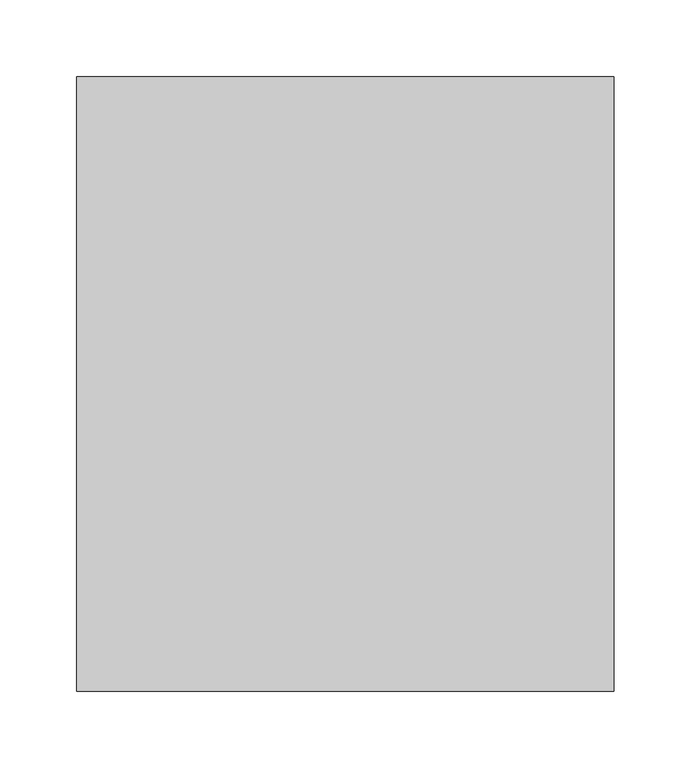
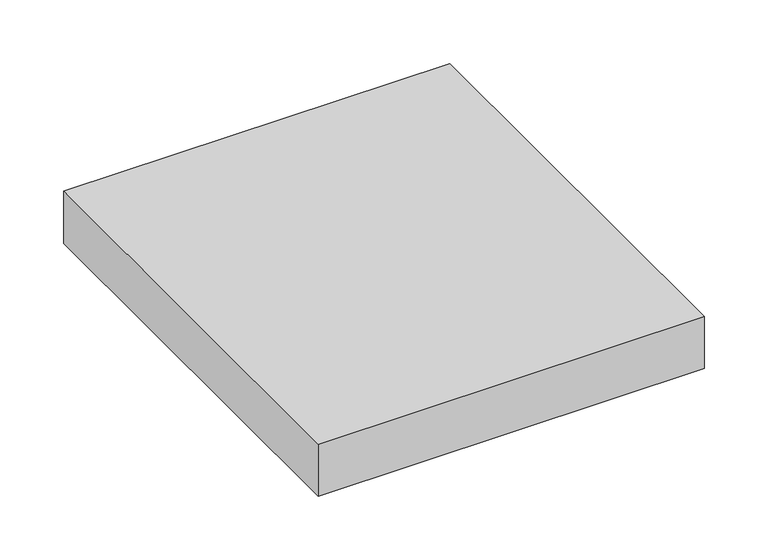
"""IFC4 building model written with IfcOpenShell, lengths in millimetres: proxy geometry."""

import ifcopenshell
import ifcopenshell.guid

model = None  # the IFC model being written
_history = None  # IfcOwnerHistory: only IFC2X3 demands one
_inside = {}  # id of a spatial element -> (the spatial element, [elements in it])
_under = {}  # id of a project, library or spatial element -> (it, [spatial elements below it])
_declared = {}  # id of a project -> (the project, [libraries it declares])
_typed = {}  # id of a type object -> (the type object, [elements of that type])
_made_of = {}  # id of a material, layer set ... -> (it, [elements and type objects made of it])


def new_model(schema):
    """Start an empty IFC model of exactly this schema.

    Asked for "IFC4X3", IfcOpenShell would pick the latest addendum, in which some entities
    have other attributes; the version numbers below select the first issue.
    IFC2X3 requires an IfcOwnerHistory on every rooted entity: one is made here for all.
    """
    global model, _history
    if schema == "IFC4X3":
        model = ifcopenshell.file(schema_version=(4, 3, 0, 0))
    else:
        model = ifcopenshell.file(schema=schema)
    _inside.clear()
    _under.clear()
    _declared.clear()
    _typed.clear()
    _made_of.clear()
    _history = None
    if model.schema == "IFC2X3":
        org = make("IfcOrganization", Name="unknown")
        user = make(
            "IfcPersonAndOrganization",
            ThePerson=make("IfcPerson", FamilyName="unknown"),
            TheOrganization=org,
        )
        app = make(
            "IfcApplication",
            ApplicationDeveloper=org,
            Version="unknown",
            ApplicationFullName="unknown",
            ApplicationIdentifier="unknown",
        )
        _history = make(
            "IfcOwnerHistory",
            OwningUser=user,
            OwningApplication=app,
            ChangeAction="ADDED",
            CreationDate=0,
        )
    return model


def make(cls, **values):
    """One entity of the class cls with the attributes given. An attribute that is None is left unset."""
    return model.create_entity(
        cls, **{name: value for name, value in values.items() if value is not None}
    )


def rooted(cls, **values):
    """An entity with a GlobalId (a new one), such as an element, a storey or a relation."""
    return make(cls, GlobalId=ifcopenshell.guid.new(), OwnerHistory=_history, **values)


def si_unit(unit_type, name, prefix=None):
    """IfcSIUnit, for example si_unit("LENGTHUNIT", "METRE", prefix="MILLI")."""
    return make("IfcSIUnit", UnitType=unit_type, Prefix=prefix, Name=name)


def assignment(units):
    """IfcUnitAssignment: the units of a project."""
    return None if units is None else make("IfcUnitAssignment", Units=units)


def point(xyz):
    """IfcCartesianPoint."""
    return None if xyz is None else make("IfcCartesianPoint", Coordinates=xyz)


def direction(xyz):
    """IfcDirection."""
    return None if xyz is None else make("IfcDirection", DirectionRatios=xyz)


def frame(location, z_axis=None, x_axis=None):
    """IfcAxis2Placement3D, a coordinate frame: its origin and axes. An axis left out is left unset."""
    return make(
        "IfcAxis2Placement3D",
        Location=point(location),
        Axis=direction(z_axis),
        RefDirection=direction(x_axis),
    )


def origin():
    """The frame at (0, 0, 0) with its axes left unset."""
    return frame((0.0, 0.0, 0.0))


def origin_with_axes():
    """The frame at (0, 0, 0) with the z axis (0, 0, 1) and the x axis (1, 0, 0) written out."""
    return frame((0.0, 0.0, 0.0), z_axis=(0.0, 0.0, 1.0), x_axis=(1.0, 0.0, 0.0))


def place(relative_to, where):
    """IfcLocalPlacement: puts the frame where relative to a parent placement (None: the world)."""
    return make(
        "IfcLocalPlacement", PlacementRelTo=relative_to, RelativePlacement=where
    )


def context(
    kind, dimensions, precision=None, world=None, true_north=None, identifier=None
):
    """IfcGeometricRepresentationContext, for example the 3D "Model" context."""
    return make(
        "IfcGeometricRepresentationContext",
        ContextIdentifier=identifier,
        ContextType=kind,
        CoordinateSpaceDimension=dimensions,
        Precision=precision,
        WorldCoordinateSystem=world,
        TrueNorth=true_north,
    )


def project(units=None, contexts=None):
    """IfcProject with its units and contexts."""
    return rooted(
        "IfcProject",
        Name="project",
        RepresentationContexts=contexts,
        UnitsInContext=assignment(units),
    )


def spatial(cls, under=None, at=None, **own):
    """A site, building, storey or space (cls), placed at a placement, below another one or the project."""
    s = rooted(cls, ObjectPlacement=at, **own)
    if under is not None:
        _under.setdefault(under.id(), (under, []))[1].append(s)
    return s


def polyline(points):
    """IfcPolyline through the points."""
    return make("IfcPolyline", Points=[point(p) for p in points])


def outline(outer, holes=None, kind="AREA"):
    """IfcArbitraryClosedProfileDef: a profile drawn as a closed curve; with holes, ...WithVoids."""
    if holes is None:
        return make("IfcArbitraryClosedProfileDef", ProfileType=kind, OuterCurve=outer)
    return make(
        "IfcArbitraryProfileDefWithVoids",
        ProfileType=kind,
        OuterCurve=outer,
        InnerCurves=holes,
    )


def extrude(swept, where, along, depth):
    """IfcExtrudedAreaSolid: the profile swept, set in the frame where, extruded along a direction by depth."""
    return make(
        "IfcExtrudedAreaSolid",
        SweptArea=swept,
        Position=where,
        ExtrudedDirection=direction(along),
        Depth=depth,
    )


def shape(context_of_items, identifier, shape_type, items):
    """IfcShapeRepresentation: the items that make up one representation, for example the "Body"."""
    return make(
        "IfcShapeRepresentation",
        ContextOfItems=context_of_items,
        RepresentationIdentifier=identifier,
        RepresentationType=shape_type,
        Items=items,
    )


def source(mapping_origin, context_of_items, identifier, shape_type, items):
    """IfcRepresentationMap: a shape defined once, which mapped items show again and again."""
    return make(
        "IfcRepresentationMap",
        MappingOrigin=mapping_origin,
        MappedRepresentation=shape(context_of_items, identifier, shape_type, items),
    )


def transform(
    local_origin,
    x_axis=None,
    y_axis=None,
    z_axis=None,
    scale=None,
    scale2=None,
    scale3=None,
    uniform=True,
):
    """IfcCartesianTransformationOperator3D, or its non-uniform kind. x_axis, y_axis, z_axis: its Axis1, 2, 3."""
    if uniform:
        return make(
            "IfcCartesianTransformationOperator3D",
            Axis1=direction(x_axis),
            Axis2=direction(y_axis),
            LocalOrigin=point(local_origin),
            Scale=scale,
            Axis3=direction(z_axis),
        )
    return make(
        "IfcCartesianTransformationOperator3DnonUniform",
        Axis1=direction(x_axis),
        Axis2=direction(y_axis),
        LocalOrigin=point(local_origin),
        Scale=scale,
        Axis3=direction(z_axis),
        Scale2=scale2,
        Scale3=scale3,
    )


def mapped(mapping_source, mapping_target):
    """IfcMappedItem: shows the shape of a source again, moved by a transform."""
    return make(
        "IfcMappedItem", MappingSource=mapping_source, MappingTarget=mapping_target
    )


def made_of(thing, what):
    """Note that an element or type object is made of a material, layer set ...; save() writes the relation."""
    if what is not None:
        _made_of.setdefault(what.id(), (what, []))[1].append(thing)
    return thing


def element(
    cls,
    number,
    at=None,
    inside=None,
    cuts=None,
    type_object=None,
    material=None,
    context=None,
    identifier="Body",
    shape_type=None,
    held_by="IfcProductDefinitionShape",
    body=None,
    shapes=None,
    **own,
):
    """One element of the class cls, such as IfcWall. Its Tag is "e" and its number.

    at: its placement. inside: the storey or other place that contains it. cuts: it is an
    opening in that element (IfcRelVoidsElement). A single representation is given by context,
    identifier, shape_type and body (its items); several are given by shapes. held_by: the class
    of the entity that holds the representations. save() writes the other relations.
    """
    e = rooted(cls, Tag="e%d" % number, ObjectPlacement=at, **own)
    if body is not None:
        shapes = [shape(context, identifier, shape_type, body)]
    if shapes is not None:
        e.Representation = make(held_by, Representations=shapes)
    if inside is not None:
        _inside.setdefault(inside.id(), (inside, []))[1].append(e)
    if cuts is not None:
        rooted(
            "IfcRelVoidsElement", RelatingBuildingElement=cuts, RelatedOpeningElement=e
        )
    if type_object is not None:
        _typed.setdefault(type_object.id(), (type_object, []))[1].append(e)
    return made_of(e, material)


def aggregate(whole, parts):
    """IfcRelAggregates: a whole, such as a stair, and the parts it consists of."""
    return rooted("IfcRelAggregates", RelatingObject=whole, RelatedObjects=parts)


def save(model, path):
    """Write the relations noted so far, then the file.

    IfcRelAggregates (storeys below a building ...), IfcRelContainedInSpatialStructure (elements
    in a storey), IfcRelDefinesByType, IfcRelAssociatesMaterial and IfcRelDeclares: one each for
    every whole, place, type object, material and project.
    """
    for whole, parts in _under.values():
        aggregate(whole, parts)
    for where, things in _inside.values():
        rooted(
            "IfcRelContainedInSpatialStructure",
            RelatedElements=things,
            RelatingStructure=where,
        )
    for kind, things in _typed.values():
        rooted("IfcRelDefinesByType", RelatedObjects=things, RelatingType=kind)
    for what, things in _made_of.values():
        rooted("IfcRelAssociatesMaterial", RelatedObjects=things, RelatingMaterial=what)
    for by, libraries in _declared.values():
        rooted("IfcRelDeclares", RelatingContext=by, RelatedDefinitions=libraries)
    model.write(path)


def generic_models_04638928(model_context):
    return source(origin(), model_context, "Body", "SweptSolid", [
        extrude(outline(polyline([(0.0, 400.0), (350.0, 400.0), (350.0, 0.0), (0.0, 0.0), (0.0, 400.0)])), origin_with_axes(), (0.0, 0.0, 1.0), 50.0),
    ])


if __name__ == "__main__":
    model = new_model("IFC4")
    model_context = context("Model", 3, world=origin())
    ifc_project = project(units=[si_unit("LENGTHUNIT", "METRE", prefix="MILLI")], contexts=[model_context])
    site = spatial("IfcSite", under=ifc_project)
    building = spatial("IfcBuilding", under=site)
    placement = place(None, origin())
    generic_models_shape = generic_models_04638928(model_context)
    element("IfcBuildingElementProxy", 1, Name="Generic Models", at=placement, inside=building, context=model_context, shape_type="MappedRepresentation", body=[
        mapped(generic_models_shape, transform((0.0, 0.0, 0.0), x_axis=(1.0, 0.0, 0.0), y_axis=(0.0, 1.0, 0.0), z_axis=(0.0, 0.0, 1.0))),
    ])
    save(model, "model.ifc")
